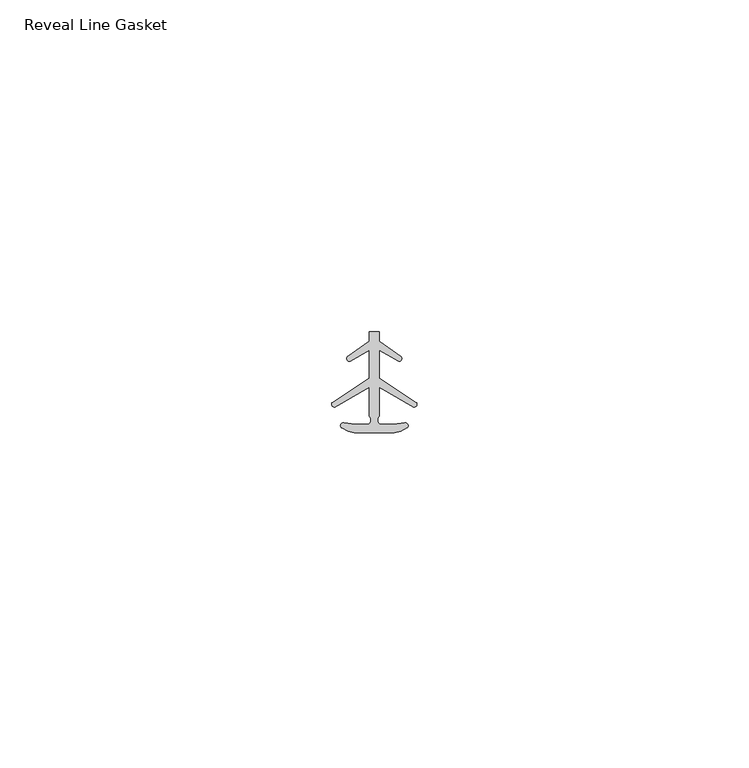
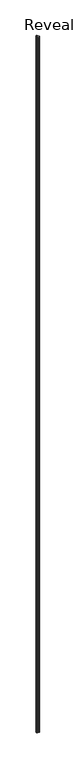
"""IFC4 building model written with IfcOpenShell, lengths in millimetres: proxy geometry, Reveal Line Gasket."""

from ifc_helpers import new_model, si_unit, point, frame, frame_2d, origin, place, context, project, spatial, polyline, circle_curve, trimmed, segment, composite_curve, outline, extrude, source, transform, mapped, element, save


def reveal_line_gasket_512f6563(model_context):
    return source(origin(), model_context, "Body", "SweptSolid", [
        extrude(outline(composite_curve([segment(polyline([(2.999107, -7.6326998), (-3.000893, -7.6326998), (-3.9563857, -7.4091917), (-4.8893614, -6.8813059)]), True, "CONTINUOUS"), segment(trimmed(circle_curve(frame_2d((-4.6873723, -6.5243141)), 0.4101739), [point((-4.8893614, -6.8813059))], [point((-4.5950277, -6.1246704))], False, "CARTESIAN"), True, "CONTINUOUS"), segment(polyline([(-4.5950277, -6.1246704), (-2.8988015, -6.3626997), (-0.8663457, -6.3626997)]), True, "CONTINUOUS"), segment(trimmed(circle_curve(frame_2d((-1.2828188, -5.6959605)), 0.786124), [point((-0.8663457, -6.3626997))], [point((-0.778768, -5.0926996))], True, "CARTESIAN"), True, "CONTINUOUS"), segment(polyline([(-0.778768, -5.0926996), (-0.778768, -0.7492996), (-5.9404224, -3.7293824)]), True, "CONTINUOUS"), segment(trimmed(circle_curve(frame_2d((-6.0058691, -3.3132479)), 0.4212495), [point((-5.9404224, -3.7293824))], [point((-6.3335288, -3.0485022))], False, "CARTESIAN"), True, "CONTINUOUS"), segment(polyline([(-6.3335288, -3.0485022), (-0.778768, 0.5742594), (-0.778768, 4.8262978), (-3.6544226, 3.1660374)]), True, "CONTINUOUS"), segment(trimmed(circle_curve(frame_2d((-3.7127785, 3.5978728)), 0.4357605), [point((-3.6544226, 3.1660374))], [point((-4.0575811, 3.864328))], False, "CARTESIAN"), True, "CONTINUOUS"), segment(polyline([(-4.0575811, 3.864328), (-0.778768, 6.1944059), (-0.778768, 7.6326998), (0.7769821, 7.6326998), (0.7769821, 6.1944059), (4.0557951, 3.864328)]), True, "CONTINUOUS"), segment(trimmed(circle_curve(frame_2d((3.7109925, 3.5978728)), 0.4357605), [point((4.0557951, 3.864328))], [point((3.6526367, 3.1660374))], False, "CARTESIAN"), True, "CONTINUOUS"), segment(polyline([(3.6526367, 3.1660374), (0.7769821, 4.8262978), (0.7769821, 0.5742594), (6.3317429, -3.0485022)]), True, "CONTINUOUS"), segment(trimmed(circle_curve(frame_2d((6.0040832, -3.3132479)), 0.4212495), [point((6.3317429, -3.0485022))], [point((5.9386365, -3.7293824))], False, "CARTESIAN"), True, "CONTINUOUS"), segment(polyline([(5.9386365, -3.7293824), (0.7769821, -0.7492996), (0.7769821, -5.0926996)]), True, "CONTINUOUS"), segment(trimmed(circle_curve(frame_2d((1.2810328, -5.6959605)), 0.786124), [point((0.7769821, -5.0926996))], [point((0.8645598, -6.3626997))], True, "CARTESIAN"), True, "CONTINUOUS"), segment(polyline([(0.8645598, -6.3626997), (2.8970156, -6.3626997), (4.5932418, -6.1246704)]), True, "CONTINUOUS"), segment(trimmed(circle_curve(frame_2d((4.6855864, -6.5243141)), 0.4101739), [point((4.5932418, -6.1246704))], [point((4.8875754, -6.8813059))], False, "CARTESIAN"), True, "CONTINUOUS"), segment(polyline([(4.8875754, -6.8813059), (3.9545998, -7.4091917), (2.999107, -7.6326998)]), True, "CONTINUOUS")], self_intersect=False)), frame((0.0, 0.0, 84.836), z_axis=(0.0, 0.0, 1.0), x_axis=(1.0, 0.0, 0.0)), (0.0, 0.0, 1.0), 2954.02),
    ])


if __name__ == "__main__":
    model = new_model("IFC4")
    model_context = context("Model", 3, world=origin())
    ifc_project = project(units=[si_unit("LENGTHUNIT", "METRE", prefix="MILLI")], contexts=[model_context])
    site = spatial("IfcSite", under=ifc_project)
    building = spatial("IfcBuilding", under=site)
    placement = place(None, origin())
    reveal_line_gasket_shape = reveal_line_gasket_512f6563(model_context)
    element("IfcBuildingElementProxy", 1, Name="Reveal Line Gasket", ObjectType="Reveal Line Gasket", at=placement, inside=building, context=model_context, shape_type="MappedRepresentation", body=[
        mapped(reveal_line_gasket_shape, transform((0.0, 0.0, 0.0), x_axis=(1.0, 0.0, 0.0), y_axis=(0.0, 1.0, 0.0), z_axis=(0.0, 0.0, 1.0))),
    ])
    save(model, "model.ifc")
